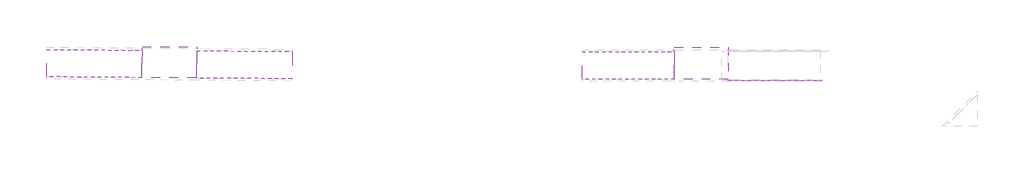
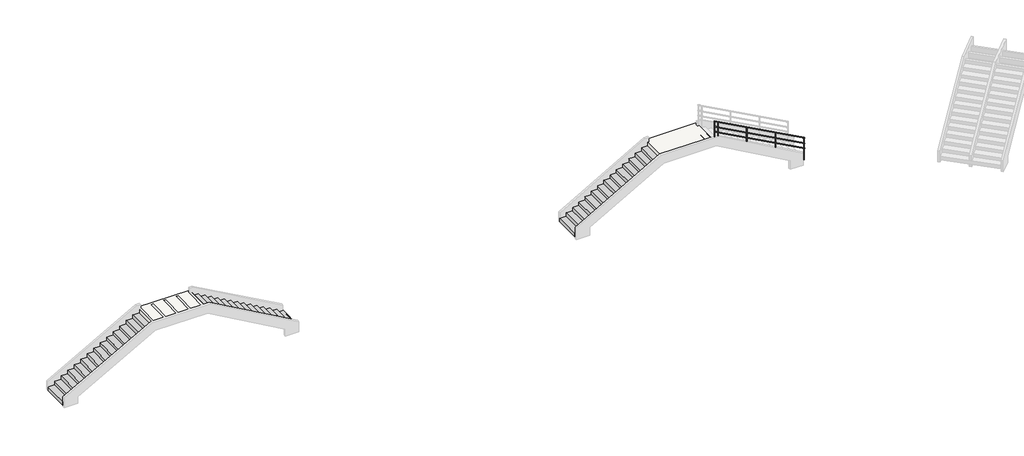
# One storey, part 6 of 9: 3 stair flights, 2 slabs, 1 railing.
"""IFC4 building model written with IfcOpenShell, lengths in millimetres."""

from ifc_helpers import new_model, si_unit, frame, origin, place, context, project, spatial, circle_curve, ellipse_curve, faceted_brep, element, save
from ifc_brep_helpers import plane_surface, cylinder_surface, advanced_brep

model = new_model("IFC4")

# Units and contexts
model_context = context("Model", 3, world=origin())
ifc_project = project(units=[si_unit("LENGTHUNIT", "METRE", prefix="MILLI")], contexts=[model_context])

# Site, building, storey
site = spatial("IfcSite", under=ifc_project)
building = spatial("IfcBuilding", under=site)
storey = spatial("IfcBuildingStorey", under=building, Elevation=-6062.0)

# Railing
placement = place(None, origin())
element("IfcRailing", 1, at=placement, inside=storey, context=model_context, shape_type="AdvancedBrep", body=[
    advanced_brep(
    [(103181.7084298, 100462.5932514, -1289.6029881), (103181.7084298, 100422.5932514, -1289.6029881), (99022.574701, 100462.5932514, 966.8465751), (99022.574701, 100422.5932514, 966.8465751)],
    [
        (0, 1, ellipse_curve(frame((103181.7084298, 100442.5932514, -1289.6029881), z_axis=(1.0, 0.0, 0.0), x_axis=(0.0, 0.0, -1.0)), 22.7537903, 20.0)),
        (1, 0, ellipse_curve(frame((103181.7084298, 100442.5932514, -1289.6029881), z_axis=(1.0, 0.0, 0.0), x_axis=(0.0, 0.0, -1.0)), 22.7537903, 20.0)),
        (2, 3, ellipse_curve(frame((99022.574701, 100442.5932514, 966.8465751), z_axis=(-1.0, 0.0, 0.0), x_axis=(0.0, 0.0, -1.0)), 22.7537903, 20.0)),
        (3, 2, ellipse_curve(frame((99022.574701, 100442.5932514, 966.8465751), z_axis=(-1.0, 0.0, 0.0), x_axis=(0.0, 0.0, -1.0)), 22.7537903, 20.0)),
        (0, 2),
        (3, 1),
    ],
    [
        plane_surface(frame((103181.7084298, 100442.5932514, -1266.8491978), z_axis=(1.0, 0.0, 0.0), x_axis=(0.0, -1.0, 0.0))),
        plane_surface(frame((99022.574701, 100442.5932514, 989.6003654), z_axis=(-1.0, 0.0, 0.0), x_axis=(0.0, -1.0, 0.0))),
        cylinder_surface(frame((103172.171052, 100442.5932514, -1284.4286865), z_axis=(0.8789744373912164, 0.0, -0.4768688901708673), x_axis=(0.0, -1.0, 0.0)), 20.0),
    ],
    [
        (0, [[1, 2]]),
        (1, [[3, 4]]),
        (2, [[-1, 5, -4, 6]]),
        (2, [[-2, -6, -3, -5]]),
    ],
),
    advanced_brep(
    [(103181.7084298, 100462.5932514, -1549.6029881), (103181.7084298, 100422.5932514, -1549.6029881), (99022.574701, 100462.5932514, 706.8465751), (99022.574701, 100422.5932514, 706.8465751)],
    [
        (0, 1, ellipse_curve(frame((103181.7084298, 100442.5932514, -1549.6029881), z_axis=(1.0, 0.0, 0.0), x_axis=(0.0, 0.0, -1.0)), 22.7537903, 20.0)),
        (1, 0, ellipse_curve(frame((103181.7084298, 100442.5932514, -1549.6029881), z_axis=(1.0, 0.0, 0.0), x_axis=(0.0, 0.0, -1.0)), 22.7537903, 20.0)),
        (2, 3, ellipse_curve(frame((99022.574701, 100442.5932514, 706.8465751), z_axis=(-1.0, 0.0, 0.0), x_axis=(0.0, 0.0, -1.0)), 22.7537903, 20.0)),
        (3, 2, ellipse_curve(frame((99022.574701, 100442.5932514, 706.8465751), z_axis=(-1.0, 0.0, 0.0), x_axis=(0.0, 0.0, -1.0)), 22.7537903, 20.0)),
        (0, 2),
        (3, 1),
    ],
    [
        plane_surface(frame((103181.7084298, 100442.5932514, -1526.8491978), z_axis=(1.0, 0.0, 0.0), x_axis=(0.0, -1.0, 0.0))),
        plane_surface(frame((99022.574701, 100442.5932514, 729.6003654), z_axis=(-1.0, 0.0, 0.0), x_axis=(0.0, -1.0, 0.0))),
        cylinder_surface(frame((103172.171052, 100442.5932514, -1544.4286865), z_axis=(0.8789744373912164, 0.0, -0.4768688901708673), x_axis=(0.0, -1.0, 0.0)), 20.0),
    ],
    [
        (0, [[1, 2]]),
        (1, [[3, 4]]),
        (2, [[-1, 5, -4, 6]]),
        (2, [[-2, -6, -3, -5]]),
    ],
),
    advanced_brep(
    [(103181.7084298, 100462.5932514, -1789.6029881), (103181.7084298, 100422.5932514, -1789.6029881), (99022.574701, 100462.5932514, 466.8465751), (99022.574701, 100422.5932514, 466.8465751)],
    [
        (0, 1, ellipse_curve(frame((103181.7084298, 100442.5932514, -1789.6029881), z_axis=(1.0, 0.0, 0.0), x_axis=(0.0, 0.0, -1.0)), 22.7537903, 20.0)),
        (1, 0, ellipse_curve(frame((103181.7084298, 100442.5932514, -1789.6029881), z_axis=(1.0, 0.0, 0.0), x_axis=(0.0, 0.0, -1.0)), 22.7537903, 20.0)),
        (2, 3, ellipse_curve(frame((99022.574701, 100442.5932514, 466.8465751), z_axis=(-1.0, 0.0, 0.0), x_axis=(0.0, 0.0, -1.0)), 22.7537903, 20.0)),
        (3, 2, ellipse_curve(frame((99022.574701, 100442.5932514, 466.8465751), z_axis=(-1.0, 0.0, 0.0), x_axis=(0.0, 0.0, -1.0)), 22.7537903, 20.0)),
        (0, 2),
        (3, 1),
    ],
    [
        plane_surface(frame((103181.7084298, 100442.5932514, -1766.8491978), z_axis=(1.0, 0.0, 0.0), x_axis=(0.0, -1.0, 0.0))),
        plane_surface(frame((99022.574701, 100442.5932514, 489.6003654), z_axis=(-1.0, 0.0, 0.0), x_axis=(0.0, -1.0, 0.0))),
        cylinder_surface(frame((103172.171052, 100442.5932514, -1784.4286865), z_axis=(0.8789744373912164, 0.0, -0.4768688901708673), x_axis=(0.0, -1.0, 0.0)), 20.0),
    ],
    [
        (0, [[1, 2]]),
        (1, [[3, 4]]),
        (2, [[-1, 5, -4, 6]]),
        (2, [[-2, -6, -3, -5]]),
    ],
),
    advanced_brep(
    [(99191.7084298, 100429.8932514, 852.3328768), (99191.7084298, 100455.2932514, 852.3328768), (99191.7084298, 100455.2932514, -182.1595426), (99191.7084298, 100429.8932514, -182.1595426)],
    [
        (0, 1, ellipse_curve(frame((99191.7084298, 100442.5932514, 852.3328768), z_axis=(-0.476868890170866, 0.0, -0.8789744373912171), x_axis=(-0.878974437391217, 0.0, 0.47686889017086603)), 14.4486568, 12.7)),
        (1, 2),
        (2, 3, circle_curve(frame((99191.7084298, 100442.5932514, -182.1595426), z_axis=(0.0, 0.0, 1.0), x_axis=(0.0, 1.0, 0.0)), 12.7)),
        (3, 0),
        (3, 2, circle_curve(frame((99191.7084298, 100442.5932514, -182.1595426), z_axis=(0.0, 0.0, 1.0), x_axis=(0.0, 1.0, 0.0)), 12.7)),
        (1, 0, ellipse_curve(frame((99191.7084298, 100442.5932514, 852.3328768), z_axis=(-0.476868890170866, 0.0, -0.8789744373912171), x_axis=(-0.878974437391217, 0.0, 0.47686889017086603)), 14.4486568, 12.7)),
    ],
    [
        cylinder_surface(frame((99191.7084298, 100442.5932514, -410.7595426), z_axis=(0.0, 0.0, 1.0), x_axis=(0.0, 1.0, 0.0)), 12.7),
        plane_surface(frame((99166.3084298, 100467.9932514, 866.1131067), z_axis=(0.476868890170866, 0.0, 0.8789744373912171), x_axis=(0.0, -1.0, 0.0))),
        plane_surface(frame((99217.1084298, 100467.9932514, -182.1595426), z_axis=(0.0, 0.0, -1.0), x_axis=(0.0, -1.0, 0.0))),
    ],
    [
        (0, [[1, 2, 3, 4]]),
        (0, [[5, -2, 6, -4]]),
        (1, [[-6, -1]]),
        (2, [[-5, -3]]),
    ],
),
    advanced_brep(
    [(100521.7084298, 100429.8932514, 130.7696584), (100521.7084298, 100455.2932514, 130.7696584), (100521.7084298, 100455.2932514, -903.722761), (100521.7084298, 100429.8932514, -903.722761)],
    [
        (0, 1, ellipse_curve(frame((100521.7084298, 100442.5932514, 130.7696584), z_axis=(-0.476868890170866, 0.0, -0.8789744373912171), x_axis=(-0.878974437391217, 0.0, 0.47686889017086603)), 14.4486568, 12.7)),
        (1, 2),
        (2, 3, circle_curve(frame((100521.7084298, 100442.5932514, -903.722761), z_axis=(0.0, 0.0, 1.0), x_axis=(0.0, 1.0, 0.0)), 12.7)),
        (3, 0),
        (3, 2, circle_curve(frame((100521.7084298, 100442.5932514, -903.722761), z_axis=(0.0, 0.0, 1.0), x_axis=(0.0, 1.0, 0.0)), 12.7)),
        (1, 0, ellipse_curve(frame((100521.7084298, 100442.5932514, 130.7696584), z_axis=(-0.476868890170866, 0.0, -0.8789744373912171), x_axis=(-0.878974437391217, 0.0, 0.47686889017086603)), 14.4486568, 12.7)),
    ],
    [
        cylinder_surface(frame((100521.7084298, 100442.5932514, -1132.322761), z_axis=(0.0, 0.0, 1.0), x_axis=(0.0, 1.0, 0.0)), 12.7),
        plane_surface(frame((100496.3084298, 100467.9932514, 144.5498883), z_axis=(0.476868890170866, 0.0, 0.8789744373912171), x_axis=(0.0, -1.0, 0.0))),
        plane_surface(frame((100547.1084298, 100467.9932514, -903.722761), z_axis=(0.0, 0.0, -1.0), x_axis=(0.0, -1.0, 0.0))),
    ],
    [
        (0, [[1, 2, 3, 4]]),
        (0, [[5, -2, 6, -4]]),
        (1, [[-6, -1]]),
        (2, [[-5, -3]]),
    ],
),
    advanced_brep(
    [(101851.7084298, 100429.8932514, -590.7935599), (101851.7084298, 100455.2932514, -590.7935599), (101851.7084298, 100455.2932514, -1625.2859794), (101851.7084298, 100429.8932514, -1625.2859794)],
    [
        (0, 1, ellipse_curve(frame((101851.7084298, 100442.5932514, -590.7935599), z_axis=(-0.476868890170866, 0.0, -0.8789744373912171), x_axis=(-0.878974437391217, 0.0, 0.47686889017086603)), 14.4486568, 12.7)),
        (1, 2),
        (2, 3, circle_curve(frame((101851.7084298, 100442.5932514, -1625.2859794), z_axis=(0.0, 0.0, 1.0), x_axis=(0.0, 1.0, 0.0)), 12.7)),
        (3, 0),
        (3, 2, circle_curve(frame((101851.7084298, 100442.5932514, -1625.2859794), z_axis=(0.0, 0.0, 1.0), x_axis=(0.0, 1.0, 0.0)), 12.7)),
        (1, 0, ellipse_curve(frame((101851.7084298, 100442.5932514, -590.7935599), z_axis=(-0.476868890170866, 0.0, -0.8789744373912171), x_axis=(-0.878974437391217, 0.0, 0.47686889017086603)), 14.4486568, 12.7)),
    ],
    [
        cylinder_surface(frame((101851.7084298, 100442.5932514, -1853.8859794), z_axis=(0.0, 0.0, 1.0), x_axis=(0.0, 1.0, 0.0)), 12.7),
        plane_surface(frame((101826.3084298, 100467.9932514, -577.0133301), z_axis=(0.476868890170866, 0.0, 0.8789744373912171), x_axis=(0.0, -1.0, 0.0))),
        plane_surface(frame((101877.1084298, 100467.9932514, -1625.2859794), z_axis=(0.0, 0.0, -1.0), x_axis=(0.0, -1.0, 0.0))),
    ],
    [
        (0, [[1, 2, 3, 4]]),
        (0, [[5, -2, 6, -4]]),
        (1, [[-6, -1]]),
        (2, [[-5, -3]]),
    ],
),
    advanced_brep(
    [(99035.074701, 100430.0932514, 937.3111756), (99035.074701, 100455.0932514, 937.3111756), (99035.074701, 100455.0932514, -97.1812438), (99035.074701, 100430.0932514, -97.1812438)],
    [
        (0, 1, ellipse_curve(frame((99035.074701, 100442.5932514, 937.3111756), z_axis=(-0.47686889017086737, 0.0, -0.8789744373912164), x_axis=(-0.8789744373912166, 0.0, 0.47686889017086714)), 14.2211189, 12.5)),
        (1, 2),
        (2, 3, circle_curve(frame((99035.074701, 100442.5932514, -97.1812438), z_axis=(0.0, 0.0, 1.0), x_axis=(0.0, 1.0, 0.0)), 12.5)),
        (3, 0),
        (3, 2, circle_curve(frame((99035.074701, 100442.5932514, -97.1812438), z_axis=(0.0, 0.0, 1.0), x_axis=(0.0, 1.0, 0.0)), 12.5)),
        (1, 0, ellipse_curve(frame((99035.074701, 100442.5932514, 937.3111756), z_axis=(-0.47686889017086737, 0.0, -0.8789744373912164), x_axis=(-0.8789744373912166, 0.0, 0.47686889017086714)), 14.2211189, 12.5)),
    ],
    [
        cylinder_surface(frame((99035.074701, 100442.5932514, -197.1812438), z_axis=(0.0, 0.0, 1.0), x_axis=(0.0, 1.0, 0.0)), 12.5),
        plane_surface(frame((99010.074701, 100467.5932514, 950.874394), z_axis=(0.47686889017086737, 0.0, 0.8789744373912164), x_axis=(0.0, -1.0, 0.0))),
        plane_surface(frame((99060.074701, 100467.5932514, -97.1812438), z_axis=(0.0, 0.0, -1.0), x_axis=(0.0, -1.0, 0.0))),
    ],
    [
        (0, [[1, 2, 3, 4]]),
        (0, [[5, -2, 6, -4]]),
        (1, [[-6, -1]]),
        (2, [[-5, -3]]),
    ],
),
    advanced_brep(
    [(103169.2084298, 100430.0932514, -1305.5751691), (103169.2084298, 100455.0932514, -1305.5751691), (103169.2084298, 100455.0932514, -2340.0675886), (103169.2084298, 100430.0932514, -2340.0675886)],
    [
        (0, 1, ellipse_curve(frame((103169.2084298, 100442.5932514, -1305.5751691), z_axis=(-0.47686889017086737, 0.0, -0.8789744373912164), x_axis=(-0.8789744373912166, 0.0, 0.47686889017086714)), 14.2211189, 12.5)),
        (1, 2),
        (2, 3, circle_curve(frame((103169.2084298, 100442.5932514, -2340.0675886), z_axis=(0.0, 0.0, 1.0), x_axis=(0.0, 1.0, 0.0)), 12.5)),
        (3, 0),
        (3, 2, circle_curve(frame((103169.2084298, 100442.5932514, -2340.0675886), z_axis=(0.0, 0.0, 1.0), x_axis=(0.0, 1.0, 0.0)), 12.5)),
        (1, 0, ellipse_curve(frame((103169.2084298, 100442.5932514, -1305.5751691), z_axis=(-0.47686889017086737, 0.0, -0.8789744373912164), x_axis=(-0.8789744373912166, 0.0, 0.47686889017086714)), 14.2211189, 12.5)),
    ],
    [
        cylinder_surface(frame((103169.2084298, 100442.5932514, -2440.0675886), z_axis=(0.0, 0.0, 1.0), x_axis=(0.0, 1.0, 0.0)), 12.5),
        plane_surface(frame((103144.2084298, 100467.5932514, -1292.0119507), z_axis=(0.47686889017086737, 0.0, 0.8789744373912164), x_axis=(0.0, -1.0, 0.0))),
        plane_surface(frame((103194.2084298, 100467.5932514, -2340.0675886), z_axis=(0.0, 0.0, -1.0), x_axis=(0.0, -1.0, 0.0))),
    ],
    [
        (0, [[1, 2, 3, 4]]),
        (0, [[5, -2, 6, -4]]),
        (1, [[-6, -1]]),
        (2, [[-5, -3]]),
    ],
),
])

# Slabs
element("IfcSlab", 2, at=placement, inside=storey, context=model_context, shape_type="Brep", body=[
    faceted_brep([(73211.4717282, 101775.8776134, 10.875), (73202.0214391, 100573.3692886, 10.875), (73222.0208215, 100573.2121172, 10.875), (75597.6903833, 100554.5421722, 10.875), (75617.6897658, 100554.3850008, 10.875), (75627.1394836, 101756.820634, 10.875), (75628.4456372, 101923.0230102, 10.875), (73212.7616421, 101940.0135659, 10.875), (75617.6897658, 100554.3850008, -175.7916667), (75627.1394836, 101756.820634, -175.7916667), (75627.1394836, 101756.820634, -9.125), (73212.7616421, 101940.0135659, -9.125), (73211.4717282, 101775.8776134, -9.125), (73202.0214391, 100573.3692886, -175.7916667), (73222.0208215, 100573.2121172, -175.7916667), (73222.0208215, 100573.2121172, -9.125), (75597.6903833, 100554.5421722, -9.125), (75597.6903833, 100554.5421722, -175.7916667), (75607.1401012, 101756.9778055, -9.125), (73231.4711106, 101775.720442, -9.125), (75628.4456372, 101923.0230102, -9.125), (75607.1401012, 101756.9778055, -175.7916667), (73231.4711106, 101775.720442, -175.7916667), (73211.4717282, 101775.8776134, -175.7916667)], [[[0, 1, 2, 3, 4, 5, 6, 7]], [[5, 4, 8, 9, 10]], [[0, 7, 11, 12]], [[1, 13, 14, 15, 16, 17, 8, 4, 3, 2]], [[10, 18, 16, 15, 19, 12, 11, 20]], [[21, 18, 10, 9]], [[17, 21, 9, 8]], [[21, 17, 16, 18]], [[19, 22, 23, 12]], [[22, 14, 13, 23]], [[14, 22, 19, 15]], [[1, 0, 12, 23, 13]], [[6, 5, 10, 20]], [[7, 6, 20, 11]]]),
])
element("IfcSlab", 3, at=placement, inside=storey, context=model_context, shape_type="Brep", body=[
    faceted_brep([(96666.8317939, 101705.1323615, 0.875), (96666.831779, 100502.5869032, 0.875), (96686.831779, 100502.586903, 0.875), (99036.6783165, 100502.5868739, 0.875), (99036.678334, 101918.1578926, 0.875), (96666.8317964, 101911.31618, 0.875), (96666.8317964, 101911.31618, -19.125), (96666.8317939, 101705.1323615, -19.125), (96666.831779, 100502.5869032, -182.4583333), (96686.831779, 100502.586903, -182.4583333), (96686.8324587, 100502.586903, -19.125), (99036.6783165, 100502.5868739, -19.125), (96686.8317939, 101705.1323612, -19.125), (99036.678334, 101918.1578926, -19.125), (96686.8317939, 101705.1323612, -182.4583333), (96666.8317939, 101705.1323615, -182.4583333)], [[[0, 1, 2, 3, 4, 5]], [[0, 5, 6, 7]], [[1, 8, 9, 10, 11, 3, 2]], [[12, 7, 6, 13, 11, 10]], [[12, 14, 15, 7]], [[14, 9, 8, 15]], [[9, 14, 12, 10]], [[1, 0, 7, 15, 8]], [[4, 3, 11, 13]], [[5, 4, 13, 6]]]),
])

# Stair flights
element("IfcStairFlight", 4, ObjectType="Rampa_Acciaio_2cm", at=placement, inside=storey, context=model_context, shape_type="Brep", body=[
    faceted_brep([(69311.5921565, 101806.5260412, -2322.4583333), (69011.6014202, 101808.8836126, -2322.4583333), (69002.1511301, 100606.375159, -2322.4583333), (69302.1418664, 100604.0175876, -2322.4583333), (69311.5921565, 101806.5260412, -2342.4583333), (69031.6008026, 101808.7264411, -2342.4583333), (69031.6008026, 101808.7264411, -2489.125), (69011.6014202, 101808.8836126, -2489.125), (69002.1511301, 100606.375159, -2489.125), (69022.1505125, 100606.2179876, -2489.125), (69022.1505125, 100606.2179876, -2342.4583333), (69302.1418664, 100604.0175876, -2342.4583333), (69611.5828928, 101804.1684698, -2155.7916667), (69311.5921565, 101806.5260412, -2155.7916667), (69302.1418664, 100604.0175876, -2155.7916667), (69602.1326026, 100601.6600163, -2155.7916667), (69611.5828928, 101804.1684698, -2175.7916667), (69331.5915389, 101806.3688698, -2175.7916667), (69331.5915389, 101806.3688698, -2342.4583333), (69322.1412488, 100603.8604162, -2342.4583333), (69322.1412488, 100603.8604162, -2175.7916667), (69602.1326026, 100601.6600163, -2175.7916667), (69911.5736291, 101801.8108985, -1989.125), (69611.5828928, 101804.1684698, -1989.125), (69602.1326026, 100601.6600163, -1989.125), (69902.1233389, 100599.3024449, -1989.125), (69911.5736291, 101801.8108985, -2009.125), (69631.5822752, 101804.0112984, -2009.125), (69631.5822752, 101804.0112984, -2175.7916667), (69622.1319851, 100601.5028449, -2175.7916667), (69622.1319851, 100601.5028449, -2009.125), (69902.1233389, 100599.3024449, -2009.125), (70211.5643654, 101799.4533271, -1822.4583333), (69911.5736291, 101801.8108985, -1822.4583333), (69902.1233389, 100599.3024449, -1822.4583333), (70202.1140752, 100596.9448735, -1822.4583333), (70211.5643654, 101799.4533271, -1842.4583333), (69931.5730115, 101801.653727, -1842.4583333), (69931.5730115, 101801.653727, -2009.125), (69922.1227213, 100599.1452735, -2009.125), (69922.1227214, 100599.1452735, -1842.4583333), (70202.1140752, 100596.9448735, -1842.4583333), (70511.5551017, 101797.0957557, -1655.7916667), (70211.5643654, 101799.4533271, -1655.7916667), (70202.1140752, 100596.9448735, -1655.7916667), (70502.1048115, 100594.5873022, -1655.7916667), (70511.5551017, 101797.0957557, -1675.7916667), (70231.5637478, 101799.2961557, -1675.7916667), (70231.5637478, 101799.2961557, -1842.4583333), (70222.1134576, 100596.7877021, -1842.4583333), (70222.1134576, 100596.7877021, -1675.7916667), (70502.1048115, 100594.5873022, -1675.7916667), (70811.5458379, 101794.7381844, -1489.125), (70511.5551017, 101797.0957557, -1489.125), (70502.1048115, 100594.5873022, -1489.125), (70802.0955478, 100592.2297308, -1489.125), (70811.5458379, 101794.7381844, -1509.125), (70531.5544841, 101796.9385843, -1509.125), (70531.5544841, 101796.9385843, -1675.7916667), (70522.1041939, 100594.4301307, -1675.7916667), (70522.1041939, 100594.4301307, -1509.125), (70802.0955478, 100592.2297308, -1509.125), (71111.5365742, 101792.380613, -1322.4583333), (70811.5458379, 101794.7381844, -1322.4583333), (70802.0955478, 100592.2297308, -1322.4583333), (71102.0862841, 100589.8721594, -1322.4583333), (71111.5365742, 101792.380613, -1342.4583333), (70831.5452204, 101794.5810129, -1342.4583333), (70831.5452204, 101794.5810129, -1509.125), (70822.0949302, 100592.0725594, -1509.125), (70822.0949302, 100592.0725594, -1342.4583333), (71102.0862841, 100589.8721594, -1342.4583333), (71411.5273105, 101790.0230416, -1155.7916667), (71111.5365742, 101792.380613, -1155.7916667), (71102.0862841, 100589.8721594, -1155.7916667), (71402.0770204, 100587.5145881, -1155.7916667), (71411.5273105, 101790.0230416, -1175.7916667), (71131.5359566, 101792.2234416, -1175.7916667), (71131.5359567, 101792.2234416, -1342.4583333), (71122.0856665, 100589.714988, -1342.4583333), (71122.0856665, 100589.714988, -1175.7916667), (71402.0770204, 100587.5145881, -1175.7916667), (71711.5180468, 101787.6654702, -989.125), (71411.5273105, 101790.0230416, -989.125), (71402.0770204, 100587.5145881, -989.125), (71702.0677566, 100585.1570167, -989.125), (71711.5180468, 101787.6654702, -1009.125), (71431.5266929, 101789.8658702, -1009.125), (71431.5266929, 101789.8658702, -1175.7916667), (71422.0764028, 100587.3574166, -1175.7916667), (71422.0764028, 100587.3574166, -1009.125), (71702.0677566, 100585.1570167, -1009.125), (72011.5087831, 101785.3078989, -822.4583333), (71711.5180468, 101787.6654702, -822.4583333), (71702.0677566, 100585.1570167, -822.4583333), (72002.0584929, 100582.7994453, -822.4583333), (72011.5087831, 101785.3078989, -842.4583333), (71731.5174292, 101787.5082988, -842.4583333), (71731.5174292, 101787.5082988, -1009.125), (71722.0671391, 100584.9998453, -1009.125), (71722.0671391, 100584.9998453, -842.4583333), (72002.0584929, 100582.7994453, -842.4583333), (72311.4995194, 101782.9503275, -655.7916667), (72011.5087831, 101785.3078989, -655.7916667), (72002.0584929, 100582.7994453, -655.7916667), (72302.0492292, 100580.4418739, -655.7916667), (72311.4995194, 101782.9503275, -675.7916667), (72031.5081655, 101785.1507274, -675.7916667), (72031.5081655, 101785.1507274, -842.4583333), (72022.0578753, 100582.6422739, -842.4583333), (72022.0578754, 100582.6422739, -675.7916667), (72302.0492292, 100580.4418739, -675.7916667), (72611.4902557, 101780.5927561, -489.125), (72311.4995194, 101782.9503275, -489.125), (72302.0492292, 100580.4418739, -489.125), (72602.0399655, 100578.0843026, -489.125), (72611.4902557, 101780.5927561, -509.125), (72331.4989018, 101782.7931561, -509.125), (72331.4989018, 101782.7931561, -675.7916667), (72322.0486116, 100580.2847025, -675.7916667), (72322.0486116, 100580.2847025, -509.125), (72602.0399655, 100578.0843026, -509.125), (72911.4809919, 101778.2351848, -322.4583333), (72611.4902557, 101780.5927561, -322.4583333), (72602.0399655, 100578.0843026, -322.4583333), (72902.0307018, 100575.7267312, -322.4583333), (72911.4809919, 101778.2351848, -342.4583333), (72631.4896381, 101780.4355847, -342.4583333), (72631.4896381, 101780.4355847, -509.125), (72622.0393479, 100577.9271311, -509.125), (72622.0393479, 100577.9271311, -342.4583333), (72902.0307018, 100575.7267312, -342.4583333), (72931.4803744, 101778.0780133, -342.4583333), (72922.0300842, 100575.5695598, -342.4583333), (72931.4803744, 101778.0780133, -175.7916667), (72922.0300842, 100575.5695598, -175.7916667), (73211.4717282, 101775.8776134, -155.7916667), (72911.4809919, 101778.2351848, -155.7916667), (72902.0307018, 100575.7267312, -155.7916667), (73202.0214381, 100573.3691598, -155.7916667), (73211.4717282, 101775.8776134, -175.7916667), (73202.0214381, 100573.3691598, -175.7916667)], [[[0, 1, 2, 3]], [[1, 0, 4, 5, 6, 7]], [[2, 1, 7, 8]], [[3, 2, 8, 9, 10, 11]], [[12, 13, 14, 15]], [[13, 12, 16, 17, 18, 4, 0]], [[0, 3, 14, 13]], [[15, 14, 3, 11, 19, 20, 21]], [[22, 23, 24, 25]], [[23, 22, 26, 27, 28, 16, 12]], [[12, 15, 24, 23]], [[25, 24, 15, 21, 29, 30, 31]], [[32, 33, 34, 35]], [[33, 32, 36, 37, 38, 26, 22]], [[22, 25, 34, 33]], [[35, 34, 25, 31, 39, 40, 41]], [[42, 43, 44, 45]], [[43, 42, 46, 47, 48, 36, 32]], [[32, 35, 44, 43]], [[45, 44, 35, 41, 49, 50, 51]], [[52, 53, 54, 55]], [[53, 52, 56, 57, 58, 46, 42]], [[42, 45, 54, 53]], [[55, 54, 45, 51, 59, 60, 61]], [[62, 63, 64, 65]], [[63, 62, 66, 67, 68, 56, 52]], [[52, 55, 64, 63]], [[65, 64, 55, 61, 69, 70, 71]], [[72, 73, 74, 75]], [[73, 72, 76, 77, 78, 66, 62]], [[62, 65, 74, 73]], [[75, 74, 65, 71, 79, 80, 81]], [[82, 83, 84, 85]], [[83, 82, 86, 87, 88, 76, 72]], [[72, 75, 84, 83]], [[85, 84, 75, 81, 89, 90, 91]], [[92, 93, 94, 95]], [[93, 92, 96, 97, 98, 86, 82]], [[82, 85, 94, 93]], [[95, 94, 85, 91, 99, 100, 101]], [[102, 103, 104, 105]], [[103, 102, 106, 107, 108, 96, 92]], [[92, 95, 104, 103]], [[105, 104, 95, 101, 109, 110, 111]], [[112, 113, 114, 115]], [[113, 112, 116, 117, 118, 106, 102]], [[102, 105, 114, 113]], [[115, 114, 105, 111, 119, 120, 121]], [[122, 123, 124, 125]], [[123, 122, 126, 127, 128, 116, 112]], [[112, 115, 124, 123]], [[125, 124, 115, 121, 129, 130, 131]], [[8, 7, 6, 9]], [[5, 10, 9, 6]], [[18, 19, 11, 10, 5, 4]], [[19, 18, 17, 20]], [[28, 29, 21, 20, 17, 16]], [[29, 28, 27, 30]], [[38, 39, 31, 30, 27, 26]], [[39, 38, 37, 40]], [[48, 49, 41, 40, 37, 36]], [[49, 48, 47, 50]], [[58, 59, 51, 50, 47, 46]], [[59, 58, 57, 60]], [[68, 69, 61, 60, 57, 56]], [[69, 68, 67, 70]], [[78, 79, 71, 70, 67, 66]], [[79, 78, 77, 80]], [[88, 89, 81, 80, 77, 76]], [[89, 88, 87, 90]], [[98, 99, 91, 90, 87, 86]], [[99, 98, 97, 100]], [[108, 109, 101, 100, 97, 96]], [[109, 108, 107, 110]], [[118, 119, 111, 110, 107, 106]], [[119, 118, 117, 120]], [[128, 129, 121, 120, 117, 116]], [[129, 128, 127, 130]], [[132, 133, 131, 130, 127, 126]], [[133, 132, 134, 135]], [[136, 137, 138, 139]], [[137, 136, 140, 134, 132, 126, 122]], [[122, 125, 138, 137]], [[139, 138, 125, 131, 133, 135, 141]], [[136, 139, 141, 140]], [[135, 134, 140, 141]]]),
])
element("IfcStairFlight", 5, ObjectType="Rampa_Acciaio_2cm", at=placement, inside=storey, context=model_context, shape_type="Brep", body=[
    faceted_brep([(79517.5687652, 100523.6637527, -2322.4583333), (79817.5595015, 100521.3061813, -2322.4583333), (79827.0097916, 101723.8146349, -2322.4583333), (79527.0190554, 101726.1722062, -2322.4583333), (79827.0097916, 101723.8146349, -2489.125), (79807.0104092, 101723.9718063, -2489.125), (79807.0104092, 101723.9718063, -2342.4583333), (79527.0190554, 101726.1722062, -2342.4583333), (79817.5595015, 100521.3061813, -2489.125), (79517.5687652, 100523.6637527, -2342.4583333), (79797.5601191, 100521.4633527, -2342.4583333), (79797.5601191, 100521.4633527, -2489.125), (79217.5780289, 100526.021324, -2155.7916667), (79517.5687652, 100523.6637527, -2155.7916667), (79527.0190554, 101726.1722062, -2155.7916667), (79227.0283191, 101728.5297776, -2155.7916667), (79507.0196729, 101726.3293777, -2342.4583333), (79507.0196729, 101726.3293777, -2175.7916667), (79227.0283191, 101728.5297776, -2175.7916667), (79217.5780289, 100526.021324, -2175.7916667), (79497.5693828, 100523.8209241, -2175.7916667), (79497.5693828, 100523.8209241, -2342.4583333), (78917.5872926, 100528.3788954, -1989.125), (79217.5780289, 100526.021324, -1989.125), (79227.0283191, 101728.5297776, -1989.125), (78927.0375828, 101730.887349, -1989.125), (79207.0289367, 101728.686949, -2175.7916667), (79207.0289367, 101728.686949, -2009.125), (78927.0375828, 101730.887349, -2009.125), (78917.5872926, 100528.3788954, -2009.125), (79197.5786465, 100526.1784955, -2009.125), (79197.5786465, 100526.1784955, -2175.7916667), (78617.5965563, 100530.7364668, -1822.4583333), (78917.5872926, 100528.3788954, -1822.4583333), (78927.0375828, 101730.887349, -1822.4583333), (78627.0468465, 101733.2449203, -1822.4583333), (78907.0382004, 101731.0445204, -2009.125), (78907.0382004, 101731.0445204, -1842.4583333), (78627.0468465, 101733.2449203, -1842.4583333), (78617.5965563, 100530.7364668, -1842.4583333), (78897.5879102, 100528.5360668, -1842.4583333), (78897.5879102, 100528.5360668, -2009.125), (78317.6058201, 100533.0940381, -1655.7916667), (78617.5965563, 100530.7364668, -1655.7916667), (78627.0468465, 101733.2449203, -1655.7916667), (78327.0561102, 101735.6024917, -1655.7916667), (78607.0474641, 101733.4020918, -1842.4583333), (78607.0474641, 101733.4020918, -1675.7916667), (78327.0561102, 101735.6024917, -1675.7916667), (78317.6058201, 100533.0940381, -1675.7916667), (78597.5971739, 100530.8936382, -1675.7916667), (78597.5971739, 100530.8936382, -1842.4583333), (78017.6150838, 100535.4516095, -1489.125), (78317.6058201, 100533.0940381, -1489.125), (78327.0561102, 101735.6024917, -1489.125), (78027.0653739, 101737.9600631, -1489.125), (78307.0567278, 101735.7596631, -1675.7916667), (78307.0567278, 101735.7596631, -1509.125), (78027.0653739, 101737.9600631, -1509.125), (78017.6150838, 100535.4516095, -1509.125), (78297.6064376, 100533.2512096, -1509.125), (78297.6064376, 100533.2512096, -1675.7916667), (77717.6243475, 100537.8091809, -1322.4583333), (78017.6150838, 100535.4516095, -1322.4583333), (78027.0653739, 101737.9600631, -1322.4583333), (77727.0746376, 101740.3176344, -1322.4583333), (78007.0659915, 101738.1172345, -1509.125), (78007.0659915, 101738.1172345, -1342.4583333), (77727.0746376, 101740.3176344, -1342.4583333), (77717.6243475, 100537.8091809, -1342.4583333), (77997.6157014, 100535.6087809, -1342.4583333), (77997.6157014, 100535.6087809, -1509.125), (77417.6336112, 100540.1667523, -1155.7916667), (77717.6243475, 100537.8091809, -1155.7916667), (77727.0746376, 101740.3176344, -1155.7916667), (77427.0839014, 101742.6752058, -1155.7916667), (77707.0752552, 101740.4748059, -1342.4583333), (77707.0752552, 101740.4748059, -1175.7916667), (77427.0839014, 101742.6752058, -1175.7916667), (77417.6336112, 100540.1667523, -1175.7916667), (77697.6249651, 100537.9663523, -1175.7916667), (77697.6249651, 100537.9663523, -1342.4583333), (77117.6428749, 100542.5243236, -989.125), (77417.6336112, 100540.1667523, -989.125), (77427.0839014, 101742.6752058, -989.125), (77127.0931651, 101745.0327772, -989.125), (77407.0845189, 101742.8323772, -1175.7916667), (77407.0845189, 101742.8323772, -1009.125), (77127.0931651, 101745.0327772, -1009.125), (77117.6428749, 100542.5243236, -1009.125), (77397.6342288, 100540.3239237, -1009.125), (77397.6342288, 100540.3239237, -1175.7916667), (76817.6521386, 100544.881895, -822.4583333), (77117.6428749, 100542.5243236, -822.4583333), (77127.0931651, 101745.0327772, -822.4583333), (76827.1024288, 101747.3903486, -822.4583333), (77107.0937827, 101745.1899486, -1009.125), (77107.0937827, 101745.1899486, -842.4583333), (76827.1024288, 101747.3903486, -842.4583333), (76817.6521386, 100544.881895, -842.4583333), (77097.6434925, 100542.6814951, -842.4583333), (77097.6434925, 100542.6814951, -1009.125), (76517.6614023, 100547.2394664, -655.7916667), (76817.6521386, 100544.881895, -655.7916667), (76827.1024288, 101747.3903486, -655.7916667), (76527.1116925, 101749.7479199, -655.7916667), (76807.1030464, 101747.54752, -842.4583333), (76807.1030464, 101747.54752, -675.7916667), (76527.1116925, 101749.7479199, -675.7916667), (76517.6614023, 100547.2394664, -675.7916667), (76797.6527562, 100545.0390664, -675.7916667), (76797.6527562, 100545.0390664, -842.4583333), (76217.6706661, 100549.5970377, -489.125), (76517.6614023, 100547.2394664, -489.125), (76527.1116925, 101749.7479199, -489.125), (76227.1209562, 101752.1054913, -489.125), (76507.1123101, 101749.9050914, -675.7916667), (76507.1123101, 101749.9050914, -509.125), (76227.1209562, 101752.1054913, -509.125), (76217.6706661, 100549.5970377, -509.125), (76497.6620199, 100547.3966378, -509.125), (76497.6620199, 100547.3966378, -675.7916667), (75917.6799298, 100551.9546091, -322.4583333), (76217.6706661, 100549.5970377, -322.4583333), (76227.1209562, 101752.1054913, -322.4583333), (75927.1302199, 101754.4630627, -322.4583333), (76207.1215738, 101752.2626627, -509.125), (76207.1215738, 101752.2626627, -342.4583333), (75927.1302199, 101754.4630627, -342.4583333), (75917.6799298, 100551.9546091, -342.4583333), (76197.6712836, 100549.7542092, -342.4583333), (76197.6712836, 100549.7542092, -509.125), (75617.6891935, 100554.3121805, -155.7916667), (75917.6799298, 100551.9546091, -155.7916667), (75927.1302199, 101754.4630627, -155.7916667), (75627.1394836, 101756.820634, -155.7916667), (75907.1308375, 101754.6202341, -342.4583333), (75907.1308375, 101754.6202341, -175.7916667), (75627.1394836, 101756.820634, -175.7916667), (75617.6891935, 100554.3121805, -175.7916667), (75897.6805474, 100552.1117805, -175.7916667), (75897.6805474, 100552.1117805, -342.4583333)], [[[0, 1, 2, 3]], [[3, 2, 4, 5, 6, 7]], [[2, 1, 8, 4]], [[1, 0, 9, 10, 11, 8]], [[12, 13, 14, 15]], [[15, 14, 3, 7, 16, 17, 18]], [[0, 3, 14, 13]], [[13, 12, 19, 20, 21, 9, 0]], [[22, 23, 24, 25]], [[25, 24, 15, 18, 26, 27, 28]], [[12, 15, 24, 23]], [[23, 22, 29, 30, 31, 19, 12]], [[32, 33, 34, 35]], [[35, 34, 25, 28, 36, 37, 38]], [[22, 25, 34, 33]], [[33, 32, 39, 40, 41, 29, 22]], [[42, 43, 44, 45]], [[45, 44, 35, 38, 46, 47, 48]], [[32, 35, 44, 43]], [[43, 42, 49, 50, 51, 39, 32]], [[52, 53, 54, 55]], [[55, 54, 45, 48, 56, 57, 58]], [[42, 45, 54, 53]], [[53, 52, 59, 60, 61, 49, 42]], [[62, 63, 64, 65]], [[65, 64, 55, 58, 66, 67, 68]], [[52, 55, 64, 63]], [[63, 62, 69, 70, 71, 59, 52]], [[72, 73, 74, 75]], [[75, 74, 65, 68, 76, 77, 78]], [[62, 65, 74, 73]], [[73, 72, 79, 80, 81, 69, 62]], [[82, 83, 84, 85]], [[85, 84, 75, 78, 86, 87, 88]], [[72, 75, 84, 83]], [[83, 82, 89, 90, 91, 79, 72]], [[92, 93, 94, 95]], [[95, 94, 85, 88, 96, 97, 98]], [[82, 85, 94, 93]], [[93, 92, 99, 100, 101, 89, 82]], [[102, 103, 104, 105]], [[105, 104, 95, 98, 106, 107, 108]], [[92, 95, 104, 103]], [[103, 102, 109, 110, 111, 99, 92]], [[112, 113, 114, 115]], [[115, 114, 105, 108, 116, 117, 118]], [[102, 105, 114, 113]], [[113, 112, 119, 120, 121, 109, 102]], [[122, 123, 124, 125]], [[125, 124, 115, 118, 126, 127, 128]], [[112, 115, 124, 123]], [[123, 122, 129, 130, 131, 119, 112]], [[4, 8, 11, 5]], [[132, 133, 134, 135]], [[135, 134, 125, 128, 136, 137, 138]], [[122, 125, 134, 133]], [[133, 132, 139, 140, 141, 129, 122]], [[132, 135, 138, 139]], [[10, 6, 5, 11]], [[21, 16, 7, 6, 10, 9]], [[16, 21, 20, 17]], [[31, 26, 18, 17, 20, 19]], [[26, 31, 30, 27]], [[41, 36, 28, 27, 30, 29]], [[36, 41, 40, 37]], [[51, 46, 38, 37, 40, 39]], [[46, 51, 50, 47]], [[61, 56, 48, 47, 50, 49]], [[56, 61, 60, 57]], [[71, 66, 58, 57, 60, 59]], [[66, 71, 70, 67]], [[81, 76, 68, 67, 70, 69]], [[76, 81, 80, 77]], [[91, 86, 78, 77, 80, 79]], [[86, 91, 90, 87]], [[101, 96, 88, 87, 90, 89]], [[96, 101, 100, 97]], [[111, 106, 98, 97, 100, 99]], [[106, 111, 110, 107]], [[121, 116, 108, 107, 110, 109]], [[116, 121, 120, 117]], [[131, 126, 118, 117, 120, 119]], [[126, 131, 130, 127]], [[141, 136, 128, 127, 130, 129]], [[136, 141, 140, 137]], [[137, 140, 139, 138]]]),
])
element("IfcStairFlight", 6, ObjectType="Rampa_Acciaio_2cm", at=placement, inside=storey, context=model_context, shape_type="Brep", body=[
    faceted_brep([(92896.8317939, 101705.1324081, -2285.7916667), (92606.8317939, 101705.1324116, -2285.7916667), (92606.831779, 100502.5868246, -2285.7916667), (92896.831779, 100502.586821, -2285.7916667), (92896.8317939, 101705.1324081, -2305.7916667), (92626.8317939, 101705.1324114, -2305.7916667), (92626.8318218, 101705.1324114, -2449.125), (92606.8317939, 101705.1324116, -2449.125), (92606.831779, 100502.5868246, -2449.125), (92626.831779, 100502.5868244, -2449.125), (92626.8318218, 100502.5868244, -2305.7916667), (92896.831779, 100502.586821, -2305.7916667), (93186.8317939, 101705.1324045, -2122.4583333), (92896.8317939, 101705.1324081, -2122.4583333), (92896.831779, 100502.586821, -2122.4583333), (93186.831779, 100502.5868174, -2122.4583333), (93186.8317939, 101705.1324045, -2142.4583333), (92916.8317939, 101705.1324078, -2142.4583333), (92916.8312611, 101705.1324078, -2305.7916667), (92916.831779, 100502.5868208, -2305.7916667), (92916.8312611, 100502.5868208, -2142.4583333), (93186.831779, 100502.5868174, -2142.4583333), (93476.8317939, 101705.1324009, -1959.125), (93186.8317939, 101705.1324045, -1959.125), (93186.831779, 100502.5868174, -1959.125), (93476.831779, 100502.5868139, -1959.125), (93476.8317939, 101705.1324009, -1979.125), (93206.8317939, 101705.1324042, -1979.125), (93206.8321021, 101705.1324042, -2142.4583333), (93206.831779, 100502.5868172, -2142.4583333), (93206.8321021, 100502.5868172, -1979.125), (93476.831779, 100502.5868139, -1979.125), (93766.8317939, 101705.1323973, -1795.7916667), (93476.8317939, 101705.1324009, -1795.7916667), (93476.831779, 100502.5868139, -1795.7916667), (93766.831779, 100502.5868103, -1795.7916667), (93766.8317939, 101705.1323973, -1815.7916667), (93496.8317939, 101705.1324006, -1815.7916667), (93496.8315414, 101705.1324006, -1979.125), (93496.831779, 100502.5868136, -1979.125), (93496.8315414, 100502.5868136, -1815.7916667), (93766.831779, 100502.5868103, -1815.7916667), (94056.8317939, 101705.1323937, -1632.4583333), (93766.8317939, 101705.1323973, -1632.4583333), (93766.831779, 100502.5868103, -1632.4583333), (94056.831779, 100502.5868067, -1632.4583333), (94056.8317939, 101705.1323937, -1652.4583333), (93786.8317939, 101705.1323971, -1652.4583333), (93786.8323824, 101705.1323971, -1815.7916667), (93786.831779, 100502.58681, -1815.7916667), (93786.8323824, 100502.58681, -1652.4583333), (94056.831779, 100502.5868067, -1652.4583333), (94346.8317939, 101705.1323901, -1469.125), (94056.8317939, 101705.1323937, -1469.125), (94056.831779, 100502.5868067, -1469.125), (94346.831779, 100502.5868031, -1469.125), (94346.8317939, 101705.1323901, -1489.125), (94076.8317939, 101705.1323935, -1489.125), (94076.8318218, 101705.1323935, -1652.4583333), (94076.831779, 100502.5868064, -1652.4583333), (94076.8318218, 100502.5868064, -1489.125), (94346.831779, 100502.5868031, -1489.125), (94636.8317939, 101705.1323865, -1305.7916667), (94346.8317939, 101705.1323901, -1305.7916667), (94346.831779, 100502.5868031, -1305.7916667), (94636.831779, 100502.5867995, -1305.7916667), (94636.8317939, 101705.1323865, -1325.7916667), (94366.8317939, 101705.1323899, -1325.7916667), (94366.8312611, 101705.1323899, -1489.125), (94366.831779, 100502.5868029, -1489.125), (94366.8312611, 100502.5868029, -1325.7916667), (94636.831779, 100502.5867995, -1325.7916667), (94926.8317939, 101705.132383, -1142.4583333), (94636.8317939, 101705.1323865, -1142.4583333), (94636.831779, 100502.5867995, -1142.4583333), (94926.831779, 100502.5867959, -1142.4583333), (94926.8317939, 101705.132383, -1162.4583333), (94656.8317939, 101705.1323863, -1162.4583333), (94656.8321021, 101705.1323863, -1325.7916667), (94656.831779, 100502.5867993, -1325.7916667), (94656.8321021, 100502.5867993, -1162.4583333), (94926.831779, 100502.5867959, -1162.4583333), (95216.8317939, 101705.1323794, -979.125), (94926.8317939, 101705.132383, -979.125), (94926.831779, 100502.5867959, -979.125), (95216.831779, 100502.5867924, -979.125), (95216.8317939, 101705.1323794, -999.125), (94946.8317939, 101705.1323827, -999.125), (94946.8315414, 101705.1323827, -1162.4583333), (94946.831779, 100502.5867957, -1162.4583333), (94946.8315414, 100502.5867957, -999.125), (95216.831779, 100502.5867924, -999.125), (95506.8317939, 101705.1323758, -815.7916667), (95216.8317939, 101705.1323794, -815.7916667), (95216.831779, 100502.5867924, -815.7916667), (95506.831779, 100502.5867888, -815.7916667), (95506.8317939, 101705.1323758, -835.7916667), (95236.8317939, 101705.1323791, -835.7916667), (95236.8323824, 101705.1323791, -999.125), (95236.831779, 100502.5867921, -999.125), (95236.8323824, 100502.5867921, -835.7916667), (95506.831779, 100502.5867888, -835.7916667), (95796.8317939, 101705.1323722, -652.4583333), (95506.8317939, 101705.1323758, -652.4583333), (95506.831779, 100502.5867888, -652.4583333), (95796.831779, 100502.5867852, -652.4583333), (95796.8317939, 101705.1323722, -672.4583333), (95526.8317939, 101705.1323755, -672.4583333), (95526.8318218, 101705.1323755, -835.7916667), (95526.831779, 100502.5867885, -835.7916667), (95526.8318218, 100502.5867885, -672.4583333), (95796.831779, 100502.5867852, -672.4583333), (96086.8317939, 101705.1323686, -489.125), (95796.8317939, 101705.1323722, -489.125), (95796.831779, 100502.5867852, -489.125), (96086.831779, 100502.5867816, -489.125), (96086.8317939, 101705.1323686, -509.125), (95816.8317939, 101705.132372, -509.125), (95816.8312611, 101705.132372, -672.4583333), (95816.831779, 100502.5867849, -672.4583333), (95816.8312611, 100502.5867849, -509.125), (96086.831779, 100502.5867816, -509.125), (96376.8317939, 101705.132365, -325.7916667), (96086.8317939, 101705.1323686, -325.7916667), (96086.831779, 100502.5867816, -325.7916667), (96376.831779, 100502.586778, -325.7916667), (96376.8317939, 101705.132365, -345.7916667), (96106.8317939, 101705.1323684, -345.7916667), (96106.8321021, 101705.1323684, -509.125), (96106.831779, 100502.5867814, -509.125), (96106.8321021, 100502.5867814, -345.7916667), (96376.831779, 100502.586778, -345.7916667), (96396.8317939, 101705.1323648, -345.7916667), (96396.831779, 100502.5867778, -345.7916667), (96396.8317939, 101705.1323648, -182.4583333), (96396.831779, 100502.5867778, -182.4583333), (96666.8317939, 101705.1323615, -162.4583333), (96376.8317939, 101705.132365, -162.4583333), (96376.831779, 100502.586778, -162.4583333), (96666.831779, 100502.5867744, -162.4583333), (96666.8317939, 101705.1323615, -182.4583333), (96666.831779, 100502.5867744, -182.4583333)], [[[0, 1, 2, 3]], [[1, 0, 4, 5, 6, 7]], [[2, 1, 7, 8]], [[3, 2, 8, 9, 10, 11]], [[12, 13, 14, 15]], [[13, 12, 16, 17, 18, 4, 0]], [[0, 3, 14, 13]], [[15, 14, 3, 11, 19, 20, 21]], [[22, 23, 24, 25]], [[23, 22, 26, 27, 28, 16, 12]], [[12, 15, 24, 23]], [[25, 24, 15, 21, 29, 30, 31]], [[32, 33, 34, 35]], [[33, 32, 36, 37, 38, 26, 22]], [[22, 25, 34, 33]], [[35, 34, 25, 31, 39, 40, 41]], [[42, 43, 44, 45]], [[43, 42, 46, 47, 48, 36, 32]], [[32, 35, 44, 43]], [[45, 44, 35, 41, 49, 50, 51]], [[52, 53, 54, 55]], [[53, 52, 56, 57, 58, 46, 42]], [[42, 45, 54, 53]], [[55, 54, 45, 51, 59, 60, 61]], [[62, 63, 64, 65]], [[63, 62, 66, 67, 68, 56, 52]], [[52, 55, 64, 63]], [[65, 64, 55, 61, 69, 70, 71]], [[72, 73, 74, 75]], [[73, 72, 76, 77, 78, 66, 62]], [[62, 65, 74, 73]], [[75, 74, 65, 71, 79, 80, 81]], [[82, 83, 84, 85]], [[83, 82, 86, 87, 88, 76, 72]], [[72, 75, 84, 83]], [[85, 84, 75, 81, 89, 90, 91]], [[92, 93, 94, 95]], [[93, 92, 96, 97, 98, 86, 82]], [[82, 85, 94, 93]], [[95, 94, 85, 91, 99, 100, 101]], [[102, 103, 104, 105]], [[103, 102, 106, 107, 108, 96, 92]], [[92, 95, 104, 103]], [[105, 104, 95, 101, 109, 110, 111]], [[112, 113, 114, 115]], [[113, 112, 116, 117, 118, 106, 102]], [[102, 105, 114, 113]], [[115, 114, 105, 111, 119, 120, 121]], [[122, 123, 124, 125]], [[123, 122, 126, 127, 128, 116, 112]], [[112, 115, 124, 123]], [[125, 124, 115, 121, 129, 130, 131]], [[8, 7, 6, 9]], [[5, 10, 9, 6]], [[18, 19, 11, 10, 5, 4]], [[19, 18, 17, 20]], [[28, 29, 21, 20, 17, 16]], [[29, 28, 27, 30]], [[38, 39, 31, 30, 27, 26]], [[39, 38, 37, 40]], [[48, 49, 41, 40, 37, 36]], [[49, 48, 47, 50]], [[58, 59, 51, 50, 47, 46]], [[59, 58, 57, 60]], [[68, 69, 61, 60, 57, 56]], [[69, 68, 67, 70]], [[78, 79, 71, 70, 67, 66]], [[79, 78, 77, 80]], [[88, 89, 81, 80, 77, 76]], [[89, 88, 87, 90]], [[98, 99, 91, 90, 87, 86]], [[99, 98, 97, 100]], [[108, 109, 101, 100, 97, 96]], [[109, 108, 107, 110]], [[118, 119, 111, 110, 107, 106]], [[119, 118, 117, 120]], [[128, 129, 121, 120, 117, 116]], [[129, 128, 127, 130]], [[132, 133, 131, 130, 127, 126]], [[133, 132, 134, 135]], [[136, 137, 138, 139]], [[137, 136, 140, 134, 132, 126, 122]], [[122, 125, 138, 137]], [[139, 138, 125, 131, 133, 135, 141]], [[136, 139, 141, 140]], [[135, 134, 140, 141]]]),
])

save(model, "model.ifc")
